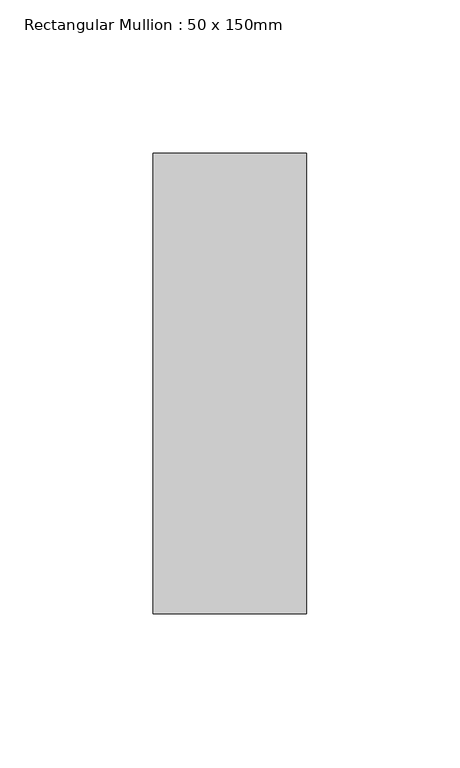
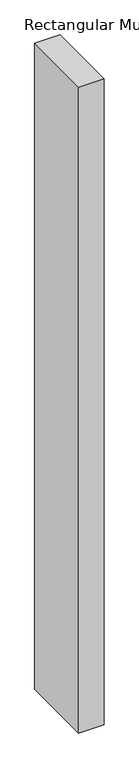
"""IFC4 building model written with IfcOpenShell, lengths in millimetres: member geometry, Rectangular Mullion : 50 x 150mm."""

from ifc_helpers import new_model, si_unit, frame, origin, place, context, project, spatial, polyline, outline, extrude, source, transform, mapped, element, save


def rectangular_mullion_50_x_150mm_25a4b354(model_context):
    return source(origin(), model_context, "Body", "SweptSolid", [
        extrude(outline(polyline([(0.0, 75.0), (0.0, -75.0), (-50.0, -75.0), (-50.0, 75.0), (0.0, 75.0)])), frame((0.0, 0.0, -1342.0503543), z_axis=(0.0, 0.0, 1.0), x_axis=(1.0, 0.0, 0.0)), (0.0, 0.0, 1.0), 1342.0503543),
    ])


if __name__ == "__main__":
    model = new_model("IFC4")
    model_context = context("Model", 3, world=origin())
    ifc_project = project(units=[si_unit("LENGTHUNIT", "METRE", prefix="MILLI")], contexts=[model_context])
    site = spatial("IfcSite", under=ifc_project)
    building = spatial("IfcBuilding", under=site)
    placement = place(None, origin())
    rectangular_mullion_50_x_150mm_shape = rectangular_mullion_50_x_150mm_25a4b354(model_context)
    element("IfcMember", 1, ObjectType="Rectangular Mullion : 50 x 150mm", at=placement, inside=building, context=model_context, shape_type="MappedRepresentation", body=[
        mapped(rectangular_mullion_50_x_150mm_shape, transform((0.0, 0.0, 0.0), x_axis=(1.0, 0.0, 0.0), y_axis=(0.0, 1.0, 0.0), z_axis=(0.0, 0.0, 1.0))),
    ])
    save(model, "model.ifc")
